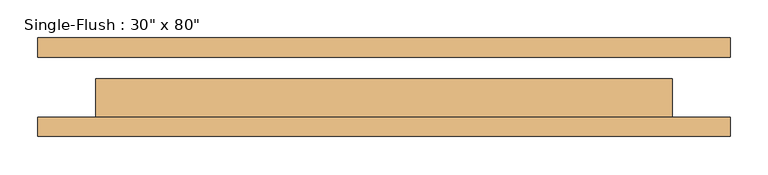
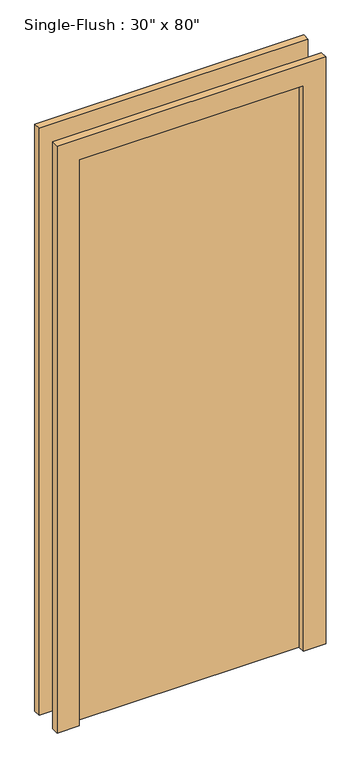
"""IFC4 building model written with IfcOpenShell, lengths in millimetres: door geometry."""

from ifc_helpers import new_model, si_unit, frame, origin, origin_with_axes, place, context, project, spatial, polyline, outline, extrude, source, transform, mapped, element, save


def door_e71e9435(model_context):
    return source(origin(), model_context, "Body", "SweptSolid", [
        extrude(outline(polyline([(2108.2, -457.2), (0.0, -457.2), (0.0, -381.0), (2032.0, -381.0), (2032.0, 381.0), (0.0, 381.0), (0.0, 457.2), (2108.2, 457.2), (2108.2, -457.2)])), frame((0.0, -65.0875, 0.0), z_axis=(0.0, 1.0, 0.0), x_axis=(0.0, 0.0, 1.0)), (0.0, 0.0, 1.0), 25.4),
        extrude(outline(polyline([(2108.2, 457.2), (2108.2, -457.2), (0.0, -457.2), (0.0, -381.0), (2032.0, -381.0), (2032.0, 381.0), (0.0, 381.0), (0.0, 457.2), (2108.2, 457.2)])), frame((0.0, 39.6875, 0.0), z_axis=(0.0, 1.0, 0.0), x_axis=(0.0, 0.0, 1.0)), (0.0, 0.0, 1.0), 25.4),
        extrude(outline(polyline([(381.0, 11.1125), (381.0, -39.6875), (-381.0, -39.6875), (-381.0, 11.1125), (381.0, 11.1125)])), origin_with_axes(), (0.0, 0.0, 1.0), 2032.0),
    ])


if __name__ == "__main__":
    model = new_model("IFC4")
    model_context = context("Model", 3, world=origin())
    ifc_project = project(units=[si_unit("LENGTHUNIT", "METRE", prefix="MILLI")], contexts=[model_context])
    site = spatial("IfcSite", under=ifc_project)
    building = spatial("IfcBuilding", under=site)
    placement = place(None, origin())
    door_shape = door_e71e9435(model_context)
    element("IfcDoor", 1, ObjectType="Single-Flush : 30\" x 80\"", at=placement, inside=building, context=model_context, shape_type="MappedRepresentation", body=[
        mapped(door_shape, transform((0.0, 0.0, 0.0), x_axis=(1.0, 0.0, 0.0), y_axis=(0.0, 1.0, 0.0), z_axis=(0.0, 0.0, 1.0))),
    ])
    save(model, "model.ifc")
